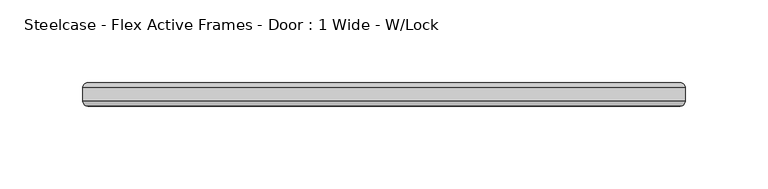
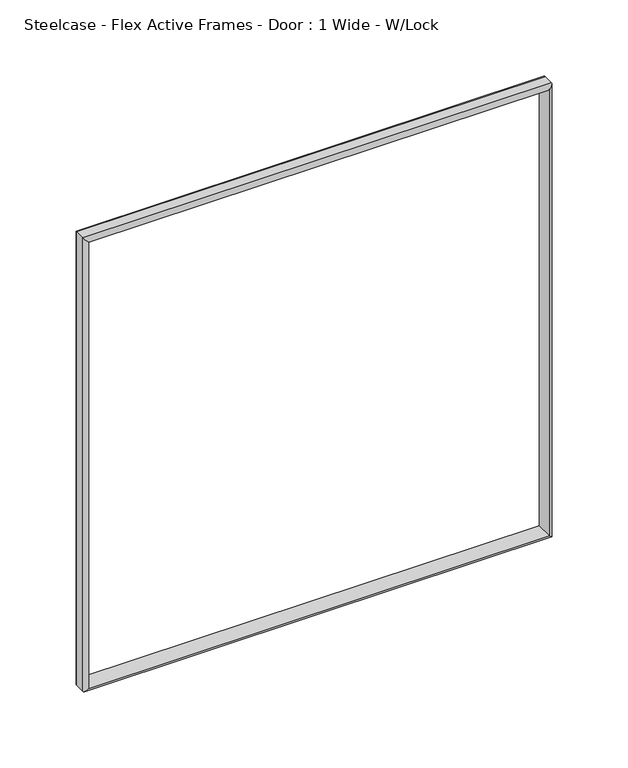
"""IFC4 building model written with IfcOpenShell, lengths in millimetres: furniture geometry, Steelcase - Flex Active Frames - Door : 1 Wide - W/Lock."""

from ifc_helpers import new_model, si_unit, frame, origin, place, context, project, spatial, ellipse_curve, source, transform, mapped, element, save
from ifc_brep_helpers import plane_surface, cylinder_surface, advanced_brep


def steelcase_flex_active_frames_door_1_wide_w_lock_493cbf01(model_context):
    return source(origin(), model_context, "Body", "AdvancedBrep", [
        advanced_brep(
        [(378.9400909, -379.5267857, 385.399247), (375.9459422, -382.5209343, 382.4050983), (375.9459422, -382.5209343, 16.3990959), (378.9400909, -379.5267857, 13.4049473), (378.9400909, -371.5066417, 385.399247), (378.9400909, -371.5066417, 13.4049473), (375.9459422, -368.5124931, 382.4050983), (375.9459422, -368.5124931, 16.3990959), (17.9940325, -382.5209343, 16.3990959), (14.9998838, -379.5267857, 13.4049473), (14.9998838, -371.5066417, 13.4049473), (17.9940325, -368.5124931, 16.3990959), (17.9940325, -382.5209343, 382.4050983), (14.9998838, -379.5267857, 385.399247), (14.9998838, -371.5066417, 385.399247), (17.9940325, -368.5124931, 382.4050983)],
        [
            (0, 1, ellipse_curve(frame((375.9459422, -379.5267857, 382.4050983), z_axis=(0.7071067811865475, 0.0, -0.7071067811865475), x_axis=(0.7071067811865474, 0.0, 0.7071067811865476)), 4.2343656, 2.9941486)),
            (1, 2),
            (2, 3, ellipse_curve(frame((375.9459422, -379.5267857, 16.3990959), z_axis=(0.7071067811865475, 0.0, 0.7071067811865475), x_axis=(-0.7071067811865474, 0.0, 0.7071067811865476)), 4.2343656, 2.9941486)),
            (3, 0),
            (4, 0),
            (3, 5),
            (5, 4),
            (6, 4, ellipse_curve(frame((375.9459422, -371.5066417, 382.4050983), z_axis=(0.7071067811865475, 0.0, -0.7071067811865475), x_axis=(0.7071067811865474, 0.0, 0.7071067811865476)), 4.2343656, 2.9941486)),
            (5, 7, ellipse_curve(frame((375.9459422, -371.5066417, 16.3990959), z_axis=(0.7071067811865475, 0.0, 0.7071067811865475), x_axis=(-0.7071067811865474, 0.0, 0.7071067811865476)), 4.2343656, 2.9941486)),
            (7, 6),
            (1, 6),
            (7, 2),
            (2, 8),
            (8, 9, ellipse_curve(frame((17.9940325, -379.5267857, 16.3990959), z_axis=(0.7071067811865426, 0.0, -0.7071067811865525), x_axis=(0.7071067811865525, 0.0, 0.7071067811865426)), 4.2343656, 2.9941486)),
            (9, 3),
            (9, 10),
            (10, 5),
            (10, 11, ellipse_curve(frame((17.9940325, -371.5066417, 16.3990959), z_axis=(0.7071067811865426, 0.0, -0.7071067811865525), x_axis=(0.7071067811865525, 0.0, 0.7071067811865426)), 4.2343656, 2.9941486)),
            (11, 7),
            (11, 8),
            (8, 12),
            (12, 13, ellipse_curve(frame((17.9940325, -379.5267857, 382.4050983), z_axis=(-0.7071067811865526, 0.0, -0.7071067811865426), x_axis=(0.7071067811865426, 0.0, -0.7071067811865523)), 4.2343656, 2.9941486)),
            (13, 9),
            (13, 14),
            (14, 10),
            (14, 15, ellipse_curve(frame((17.9940325, -371.5066417, 382.4050983), z_axis=(-0.7071067811865526, 0.0, -0.7071067811865426), x_axis=(0.7071067811865426, 0.0, -0.7071067811865523)), 4.2343656, 2.9941486)),
            (15, 11),
            (15, 12),
            (12, 1),
            (0, 13),
            (4, 14),
            (6, 15),
        ],
        [
            cylinder_surface(frame((375.9459422, -379.5267857, 385.399247), z_axis=(0.0, 0.0, 1.0), x_axis=(1.0, 0.0, 0.0)), 2.9941486),
            plane_surface(frame((378.9400909, -379.5267857, 385.399247), z_axis=(1.0, 0.0, 0.0), x_axis=(0.0, 0.0, -1.0))),
            cylinder_surface(frame((375.9459422, -371.5066417, 385.399247), z_axis=(0.0, 0.0, 1.0), x_axis=(1.0, 0.0, 0.0)), 2.9941486),
            plane_surface(frame((375.9459422, -368.5124931, 382.4050983), z_axis=(-1.0, 0.0, 0.0), x_axis=(0.0, 0.0, -1.0))),
            cylinder_surface(frame((378.9400909, -379.5267857, 16.3990959), z_axis=(1.0, 0.0, 0.0), x_axis=(0.0, 0.0, -1.0)), 2.9941486),
            plane_surface(frame((378.9400909, -379.5267857, 13.4049473), z_axis=(0.0, 0.0, -1.0), x_axis=(-1.0, 0.0, 0.0))),
            cylinder_surface(frame((378.9400909, -371.5066417, 16.3990959), z_axis=(1.0, 0.0, 0.0), x_axis=(0.0, 0.0, -1.0)), 2.9941486),
            plane_surface(frame((375.9459422, -368.5124931, 16.3990959), z_axis=(0.0, 0.0, 1.0), x_axis=(-1.0, 0.0, 0.0))),
            cylinder_surface(frame((17.9940325, -379.5267857, 13.4049473), z_axis=(0.0, 0.0, -1.0), x_axis=(-1.0, 0.0, 0.0)), 2.9941486),
            plane_surface(frame((14.9998838, -379.5267857, 13.4049473), z_axis=(-1.0, 0.0, 0.0), x_axis=(0.0, 0.0, 1.0))),
            cylinder_surface(frame((17.9940325, -371.5066417, 13.4049473), z_axis=(0.0, 0.0, -1.0), x_axis=(-1.0, 0.0, 0.0)), 2.9941486),
            plane_surface(frame((17.9940325, -368.5124931, 16.3990959), z_axis=(1.0, 0.0, 0.0), x_axis=(0.0, 0.0, 1.0))),
            cylinder_surface(frame((14.9998838, -379.5267857, 382.4050983), z_axis=(-1.0, 0.0, 0.0), x_axis=(0.0, 0.0, 1.0)), 2.9941486),
            plane_surface(frame((14.9998838, -379.5267857, 385.399247), z_axis=(0.0, 0.0, 1.0), x_axis=(1.0, 0.0, 0.0))),
            cylinder_surface(frame((14.9998838, -371.5066417, 382.4050983), z_axis=(-1.0, 0.0, 0.0), x_axis=(0.0, 0.0, 1.0)), 2.9941486),
            plane_surface(frame((17.9940325, -368.5124931, 382.4050983), z_axis=(0.0, 0.0, -1.0), x_axis=(1.0, 0.0, 0.0))),
        ],
        [
            (0, [[1, 2, 3, 4]]),
            (1, [[5, -4, 6, 7]]),
            (2, [[8, -7, 9, 10]]),
            (3, [[11, -10, 12, -2]]),
            (4, [[-3, 13, 14, 15]]),
            (5, [[-6, -15, 16, 17]]),
            (6, [[-9, -17, 18, 19]]),
            (7, [[-12, -19, 20, -13]]),
            (8, [[-14, 21, 22, 23]]),
            (9, [[-16, -23, 24, 25]]),
            (10, [[-18, -25, 26, 27]]),
            (11, [[-20, -27, 28, -21]]),
            (12, [[-22, 29, -1, 30]]),
            (13, [[-24, -30, -5, 31]]),
            (14, [[-26, -31, -8, 32]]),
            (15, [[-28, -32, -11, -29]]),
        ],
    ),
    ])


if __name__ == "__main__":
    model = new_model("IFC4")
    model_context = context("Model", 3, world=origin())
    ifc_project = project(units=[si_unit("LENGTHUNIT", "METRE", prefix="MILLI")], contexts=[model_context])
    site = spatial("IfcSite", under=ifc_project)
    building = spatial("IfcBuilding", under=site)
    placement = place(None, origin())
    steelcase_flex_active_frames_door_1_wide_w_lock_shape = steelcase_flex_active_frames_door_1_wide_w_lock_493cbf01(model_context)
    element("IfcFurniture", 1, ObjectType="Steelcase - Flex Active Frames - Door : 1 Wide - W/Lock", at=placement, inside=building, context=model_context, shape_type="MappedRepresentation", body=[
        mapped(steelcase_flex_active_frames_door_1_wide_w_lock_shape, transform((0.0, 0.0, 0.0), x_axis=(1.0, 0.0, 0.0), y_axis=(0.0, 1.0, 0.0), z_axis=(0.0, 0.0, 1.0))),
    ])
    save(model, "model.ifc")
